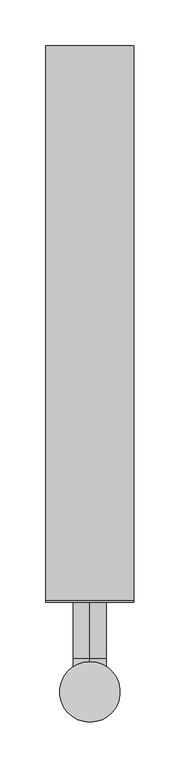
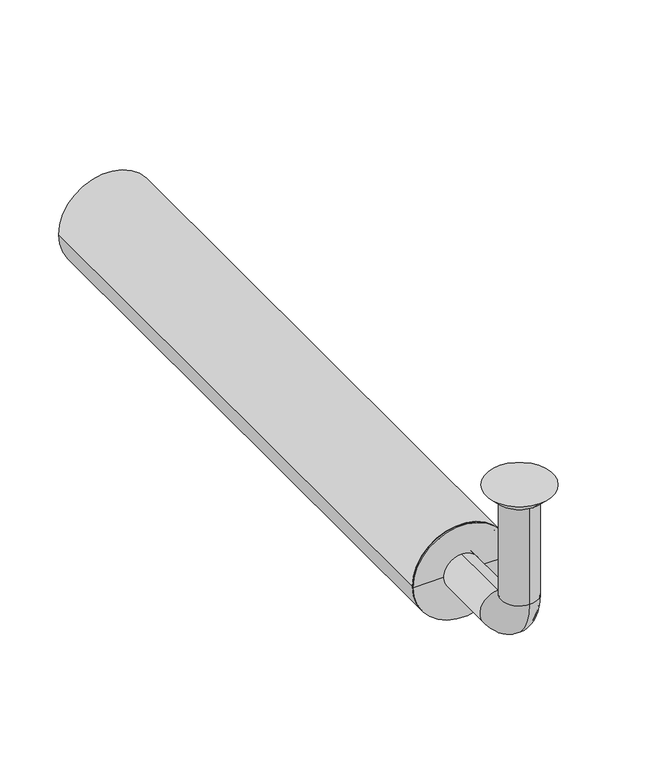
"""IFC4 building model written with IfcOpenShell, lengths in millimetres: beam geometry."""

from ifc_helpers import new_model, si_unit, point, frame, frame_2d, origin, place, context, project, spatial, polyline, circle_curve, ellipse_curve, trimmed, segment, composite_curve, outline, extrude, source, transform, mapped, element, save
from ifc_brep_helpers import plane_surface, cylinder_surface, revolved_surface, advanced_brep


def beam_46288ba5(model_context):
    return source(origin(), model_context, "Body", "SolidModel", [
        extrude(outline(composite_curve([segment(trimmed(circle_curve(frame_2d((-150.0, 0.0)), 48.0), [point((-150.0, 48.0))], [point((-150.0, -48.0))], False, "CARTESIAN"), True, "CONTINUOUS"), segment(trimmed(circle_curve(frame_2d((-150.0, 0.0)), 48.0), [point((-150.0, -48.0))], [point((-150.0, 48.0))], False, "CARTESIAN"), True, "CONTINUOUS")], self_intersect=False), holes=[composite_curve([segment(trimmed(circle_curve(frame_2d((-150.0, 0.0)), 45.0), [point((-150.0, 45.0))], [point((-150.0, -45.0))], True, "CARTESIAN"), True, "CONTINUOUS"), segment(trimmed(circle_curve(frame_2d((-150.0, 0.0)), 45.0), [point((-150.0, -45.0))], [point((-150.0, 45.0))], True, "CARTESIAN"), True, "CONTINUOUS")], self_intersect=False)]), frame((0.0, 100.0, 0.0), z_axis=(0.0, 1.0, 0.0), x_axis=(0.0, 0.0, 1.0)), (0.0, 0.0, 1.0), 605.0),
        advanced_brep(
        [(0.0, -18.0, -10.0), (0.0, 18.0, -10.0), (0.0, -17.0, -10.0), (0.0, 17.0, -10.0), (0.0, -18.0, -114.0), (0.0, 18.0, -114.0), (0.0, -17.0, -114.0), (0.0, 17.0, -114.0), (0.0, 36.0, -132.0), (0.0, 36.0, -168.0), (0.0, 36.0, -133.0), (0.0, 36.0, -167.0), (0.0, 123.0, -168.0), (0.0, 123.0, -132.0), (0.0, 123.0, -167.0), (0.0, 123.0, -133.0)],
        [
            (0, 1, circle_curve(frame((0.0, 0.0, -10.0), z_axis=(0.0, 0.0, 1.0), x_axis=(0.0, 1.0, 0.0)), 18.0)),
            (1, 0, circle_curve(frame((0.0, 0.0, -10.0), z_axis=(0.0, 0.0, 1.0), x_axis=(0.0, 1.0, 0.0)), 18.0)),
            (2, 3, circle_curve(frame((0.0, 0.0, -10.0), z_axis=(0.0, 0.0, -1.0), x_axis=(0.0, 1.0, 0.0)), 17.0)),
            (3, 2, circle_curve(frame((0.0, 0.0, -10.0), z_axis=(0.0, 0.0, -1.0), x_axis=(0.0, 1.0, 0.0)), 17.0)),
            (0, 4),
            (4, 5, circle_curve(frame((0.0, 0.0, -114.0), z_axis=(0.0, 0.0, 1.0), x_axis=(0.0, 1.0, 0.0)), 18.0)),
            (5, 1),
            (5, 4, circle_curve(frame((0.0, 0.0, -114.0), z_axis=(0.0, 0.0, 1.0), x_axis=(0.0, 1.0, 0.0)), 18.0)),
            (2, 6),
            (6, 7, circle_curve(frame((0.0, 0.0, -114.0), z_axis=(0.0, 0.0, -1.0), x_axis=(0.0, 1.0, 0.0)), 17.0)),
            (7, 3),
            (7, 6, circle_curve(frame((0.0, 0.0, -114.0), z_axis=(0.0, 0.0, -1.0), x_axis=(0.0, 1.0, 0.0)), 17.0)),
            (8, 5, circle_curve(frame((0.0, 36.0, -114.0), z_axis=(-1.0, 0.0, 0.0), x_axis=(0.0, -1.0, 0.0)), 18.0)),
            (4, 9, circle_curve(frame((0.0, 36.0, -114.0), z_axis=(1.0, 0.0, 0.0), x_axis=(0.0, -1.0, 0.0)), 54.0)),
            (9, 8, circle_curve(frame((0.0, 36.0, -150.0), z_axis=(0.0, -1.0, 0.0), x_axis=(0.0, 0.0, 1.0)), 18.0)),
            (8, 9, circle_curve(frame((0.0, 36.0, -150.0), z_axis=(0.0, -1.0, 0.0), x_axis=(0.0, 0.0, 1.0)), 18.0)),
            (10, 7, circle_curve(frame((0.0, 36.0, -114.0), z_axis=(-1.0, 0.0, 0.0), x_axis=(0.0, -1.0, 0.0)), 19.0)),
            (6, 11, circle_curve(frame((0.0, 36.0, -114.0), z_axis=(1.0, 0.0, 0.0), x_axis=(0.0, -1.0, 0.0)), 53.0)),
            (11, 10, circle_curve(frame((0.0, 36.0, -150.0), z_axis=(0.0, 1.0, 0.0), x_axis=(0.0, 0.0, 1.0)), 17.0)),
            (10, 11, circle_curve(frame((0.0, 36.0, -150.0), z_axis=(0.0, 1.0, 0.0), x_axis=(0.0, 0.0, 1.0)), 17.0)),
            (12, 13, circle_curve(frame((0.0, 123.0, -150.0), z_axis=(0.0, 1.0, 0.0), x_axis=(0.0, 0.0, 1.0)), 18.0)),
            (13, 12, circle_curve(frame((0.0, 123.0, -150.0), z_axis=(0.0, 1.0, 0.0), x_axis=(0.0, 0.0, 1.0)), 18.0)),
            (14, 15, circle_curve(frame((0.0, 123.0, -150.0), z_axis=(0.0, -1.0, 0.0), x_axis=(0.0, 0.0, 1.0)), 17.0)),
            (15, 14, circle_curve(frame((0.0, 123.0, -150.0), z_axis=(0.0, -1.0, 0.0), x_axis=(0.0, 0.0, 1.0)), 17.0)),
            (9, 12),
            (13, 8),
            (11, 14),
            (15, 10),
        ],
        [
            plane_surface(frame((0.0, 0.0, -10.0), z_axis=(0.0, 0.0, 1.0), x_axis=(1.0, 0.0, 0.0))),
            cylinder_surface(frame((0.0, 0.0, -10.0), z_axis=(0.0, 0.0, 1.0), x_axis=(0.0, 1.0, 0.0)), 18.0),
            revolved_surface(polyline([(0.0, 17.0, -114.0), (0.0, 17.0, -10.0)]), (0.0, 0.0, -10.0), (0.0, 0.0, -1.0)),
            revolved_surface(trimmed(ellipse_curve(frame((0.0, 0.0, -114.0), z_axis=(0.0, 0.0, 1.0), x_axis=(0.0, 1.0, 0.0)), 18.0, 18.0), [point((0.0, -18.0, -114.0))], [point((0.0, 18.0, -114.0))], True, "CARTESIAN"), (0.0, 36.0, -114.0), (1.0, 0.0, 0.0)),
            revolved_surface(trimmed(ellipse_curve(frame((0.0, 0.0, -114.0), z_axis=(0.0, 0.0, 1.0), x_axis=(0.0, 1.0, 0.0)), 18.0, 18.0), [point((0.0, 18.0, -114.0))], [point((0.0, -18.0, -114.0))], True, "CARTESIAN"), (0.0, 36.0, -114.0), (1.0, 0.0, 0.0)),
            revolved_surface(trimmed(ellipse_curve(frame((0.0, 0.0, -114.0), z_axis=(0.0, 0.0, -1.0), x_axis=(0.0, 1.0, 0.0)), 17.0, 17.0), [point((0.0, -17.0, -114.0))], [point((0.0, 17.0, -114.0))], True, "CARTESIAN"), (0.0, 36.0, -114.0), (1.0, 0.0, 0.0)),
            revolved_surface(trimmed(ellipse_curve(frame((0.0, 0.0, -114.0), z_axis=(0.0, 0.0, -1.0), x_axis=(0.0, 1.0, 0.0)), 17.0, 17.0), [point((0.0, 17.0, -114.0))], [point((0.0, -17.0, -114.0))], True, "CARTESIAN"), (0.0, 36.0, -114.0), (1.0, 0.0, 0.0)),
            plane_surface(frame((0.0, 123.0, -150.0), z_axis=(0.0, 1.0, 0.0), x_axis=(1.0, 0.0, 0.0))),
            cylinder_surface(frame((0.0, 36.0, -150.0), z_axis=(0.0, -1.0, 0.0), x_axis=(0.0, 0.0, 1.0)), 18.0),
            revolved_surface(polyline([(0.0, 123.0, -133.0), (0.0, 36.0, -133.0)]), (0.0, 36.0, -150.0), (0.0, 1.0, 0.0)),
        ],
        [
            (0, [[1, 2], [3, 4]]),
            (1, [[-1, 5, 6, 7]]),
            (1, [[-2, -7, 8, -5]]),
            (2, [[-3, 9, 10, 11]]),
            (2, [[-4, -11, 12, -9]]),
            (3, [[13, -6, 14, 15]]),
            (4, [[-14, -8, -13, 16]]),
            (5, [[17, -10, 18, 19]]),
            (6, [[-18, -12, -17, 20]]),
            (7, [[21, 22], [23, 24]]),
            (8, [[-15, 25, -22, 26]]),
            (8, [[-16, -26, -21, -25]]),
            (9, [[-19, 27, -24, 28]]),
            (9, [[-20, -28, -23, -27]]),
        ],
    ),
        advanced_brep(
        [(0.0, 23.0, -10.0), (0.0, -23.0, -10.0), (0.0, 33.0, 0.0), (0.0, -33.0, 0.0)],
        [
            (0, 1, circle_curve(frame((0.0, 0.0, -10.0), z_axis=(0.0, 0.0, -1.0), x_axis=(0.0, 1.0, 0.0)), 23.0)),
            (1, 0, circle_curve(frame((0.0, 0.0, -10.0), z_axis=(0.0, 0.0, -1.0), x_axis=(0.0, -1.0, 0.0)), 23.0)),
            (2, 3, circle_curve(frame((0.0, 0.0, 0.0), z_axis=(0.0, 0.0, 1.0), x_axis=(0.0, -1.0, 0.0)), 33.0)),
            (3, 2, circle_curve(frame((0.0, 0.0, 0.0), z_axis=(0.0, 0.0, 1.0), x_axis=(0.0, 1.0, 0.0)), 33.0)),
            (3, 1),
            (0, 2),
        ],
        [
            plane_surface(frame((0.0, 0.0, -10.0), z_axis=(0.0, 0.0, -1.0), x_axis=(-1.0, 0.0, 0.0))),
            plane_surface(frame((0.0, 0.0, 0.0), z_axis=(0.0, 0.0, 1.0), x_axis=(-1.0, 0.0, 0.0))),
            revolved_surface(polyline([(0.0, 23.0, -10.0), (0.0, 33.0, 0.0)]), (0.0, 0.0, -33.0), (0.0, 0.0, 1.0)),
            revolved_surface(polyline([(0.0, -23.0, -10.0), (0.0, -33.0, 0.0)]), (0.0, 0.0, -33.0), (0.0, 0.0, 1.0)),
        ],
        [
            (0, [[1, 2]]),
            (1, [[3, 4]]),
            (2, [[-4, 5, -1, 6]]),
            (3, [[-3, -6, -2, -5]]),
        ],
    ),
        advanced_brep(
        [(45.0, 100.0, -150.0), (-45.0, 100.0, -150.0), (-45.0, 123.0, -150.0), (45.0, 123.0, -150.0), (-18.0, 123.0, -150.0), (18.0, 123.0, -150.0), (-18.0, 98.0, -150.0), (18.0, 98.0, -150.0), (-48.0, 98.0, -150.0), (48.0, 98.0, -150.0), (-48.0, 100.0, -150.0), (48.0, 100.0, -150.0)],
        [
            (0, 1, circle_curve(frame((0.0, 100.0, -150.0), z_axis=(0.0, 1.0, 0.0), x_axis=(-1.0, 0.0, 0.0)), 45.0)),
            (1, 2),
            (2, 3, circle_curve(frame((0.0, 123.0, -150.0), z_axis=(0.0, -1.0, 0.0), x_axis=(-1.0, 0.0, 0.0)), 45.0)),
            (3, 0),
            (1, 0, circle_curve(frame((0.0, 100.0, -150.0), z_axis=(0.0, 1.0, 0.0), x_axis=(-1.0, 0.0, 0.0)), 45.0)),
            (3, 2, circle_curve(frame((0.0, 123.0, -150.0), z_axis=(0.0, -1.0, 0.0), x_axis=(-1.0, 0.0, 0.0)), 45.0)),
            (2, 4),
            (4, 5, circle_curve(frame((0.0, 123.0, -150.0), z_axis=(0.0, -1.0, 0.0), x_axis=(-1.0, 0.0, 0.0)), 18.0)),
            (5, 3),
            (5, 4, circle_curve(frame((0.0, 123.0, -150.0), z_axis=(0.0, -1.0, 0.0), x_axis=(-1.0, 0.0, 0.0)), 18.0)),
            (4, 6),
            (6, 7, circle_curve(frame((0.0, 98.0, -150.0), z_axis=(0.0, -1.0, 0.0), x_axis=(-1.0, 0.0, 0.0)), 18.0)),
            (7, 5),
            (7, 6, circle_curve(frame((0.0, 98.0, -150.0), z_axis=(0.0, -1.0, 0.0), x_axis=(-1.0, 0.0, 0.0)), 18.0)),
            (6, 8),
            (8, 9, circle_curve(frame((0.0, 98.0, -150.0), z_axis=(0.0, -1.0, 0.0), x_axis=(-1.0, 0.0, 0.0)), 48.0)),
            (9, 7),
            (9, 8, circle_curve(frame((0.0, 98.0, -150.0), z_axis=(0.0, -1.0, 0.0), x_axis=(-1.0, 0.0, 0.0)), 48.0)),
            (8, 10),
            (10, 11, circle_curve(frame((0.0, 100.0, -150.0), z_axis=(0.0, -1.0, 0.0), x_axis=(-1.0, 0.0, 0.0)), 48.0)),
            (11, 9),
            (11, 10, circle_curve(frame((0.0, 100.0, -150.0), z_axis=(0.0, -1.0, 0.0), x_axis=(-1.0, 0.0, 0.0)), 48.0)),
            (10, 1),
            (0, 11),
        ],
        [
            cylinder_surface(frame((0.0, 98.0, -150.0), z_axis=(0.0, -1.0, 0.0), x_axis=(-1.0, 0.0, 0.0)), 45.0),
            plane_surface(frame((0.0, 123.0, -150.0), z_axis=(0.0, 1.0, 0.0), x_axis=(-1.0, 0.0, 0.0))),
            revolved_surface(polyline([(-18.0, 98.0, -150.0), (-18.0, 123.0, -150.0)]), (0.0, 98.0, -150.0), (0.0, -1.0, 0.0)),
            plane_surface(frame((0.0, 98.0, -150.0), z_axis=(0.0, -1.0, 0.0), x_axis=(-1.0, 0.0, 0.0))),
            cylinder_surface(frame((0.0, 98.0, -150.0), z_axis=(0.0, -1.0, 0.0), x_axis=(-1.0, 0.0, 0.0)), 48.0),
            plane_surface(frame((0.0, 100.0, -150.0), z_axis=(0.0, 1.0, 0.0), x_axis=(-1.0, 0.0, 0.0))),
        ],
        [
            (0, [[1, 2, 3, 4]]),
            (0, [[5, -4, 6, -2]]),
            (1, [[-3, 7, 8, 9]]),
            (1, [[-6, -9, 10, -7]]),
            (2, [[-8, 11, 12, 13]]),
            (2, [[-10, -13, 14, -11]]),
            (3, [[-12, 15, 16, 17]]),
            (3, [[-14, -17, 18, -15]]),
            (4, [[-16, 19, 20, 21]]),
            (4, [[-18, -21, 22, -19]]),
            (5, [[-20, 23, -1, 24]]),
            (5, [[-22, -24, -5, -23]]),
        ],
    ),
    ])


if __name__ == "__main__":
    model = new_model("IFC4")
    model_context = context("Model", 3, world=origin())
    ifc_project = project(units=[si_unit("LENGTHUNIT", "METRE", prefix="MILLI")], contexts=[model_context])
    site = spatial("IfcSite", under=ifc_project)
    building = spatial("IfcBuilding", under=site)
    placement = place(None, origin())
    beam_shape = beam_46288ba5(model_context)
    element("IfcBeam", 1, at=placement, inside=building, context=model_context, shape_type="MappedRepresentation", body=[
        mapped(beam_shape, transform((0.0, 0.0, 0.0), x_axis=(1.0, 0.0, 0.0), y_axis=(0.0, 1.0, 0.0), z_axis=(0.0, 0.0, 1.0))),
    ])
    save(model, "model.ifc")
